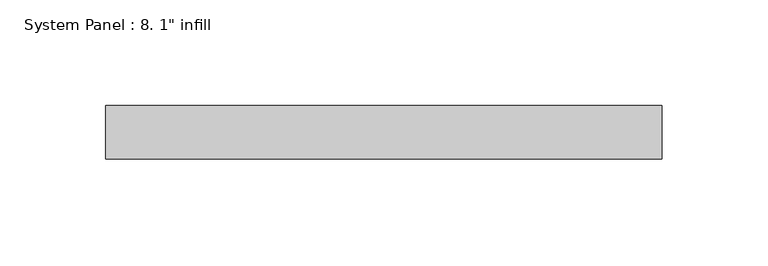
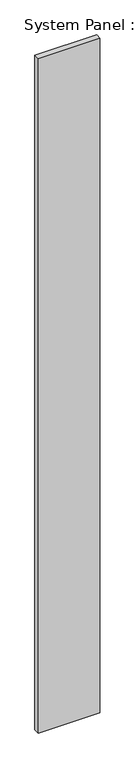
"""IFC4 building model written with IfcOpenShell, lengths in millimetres: plate geometry."""

from ifc_helpers import new_model, si_unit, origin, origin_with_axes, place, context, project, spatial, polyline, outline, extrude, source, transform, mapped, element, save


def plate_80e0b06e(model_context):
    return source(origin(), model_context, "Body", "SweptSolid", [
        extrude(outline(polyline([(131.7625, -25.4), (-131.7625, -25.4), (-131.7625, 0.0), (131.7625, 0.0), (131.7625, -25.4)])), origin_with_axes(), (0.0, 0.0, 1.0), 3048.0),
    ])


if __name__ == "__main__":
    model = new_model("IFC4")
    model_context = context("Model", 3, world=origin())
    ifc_project = project(units=[si_unit("LENGTHUNIT", "METRE", prefix="MILLI")], contexts=[model_context])
    site = spatial("IfcSite", under=ifc_project)
    building = spatial("IfcBuilding", under=site)
    placement = place(None, origin())
    plate_shape = plate_80e0b06e(model_context)
    element("IfcPlate", 1, ObjectType="System Panel : 8. 1\" infill", at=placement, inside=building, context=model_context, shape_type="MappedRepresentation", body=[
        mapped(plate_shape, transform((0.0, 0.0, 0.0), x_axis=(1.0, 0.0, 0.0), y_axis=(0.0, 1.0, 0.0), z_axis=(0.0, 0.0, 1.0))),
    ])
    save(model, "model.ifc")
